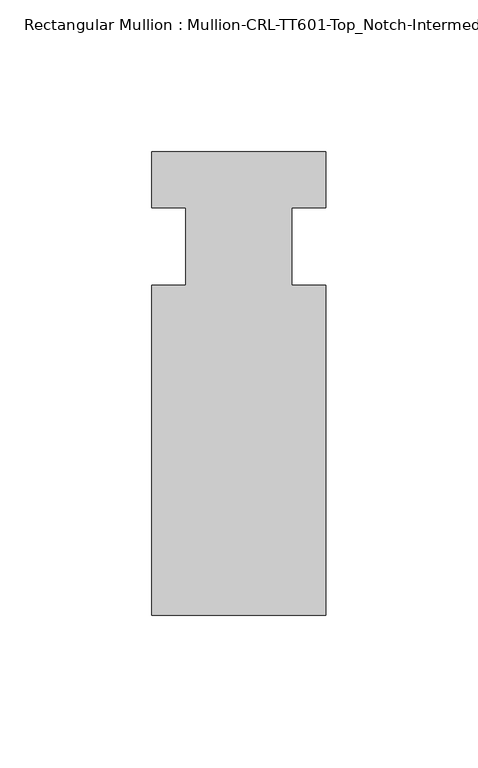
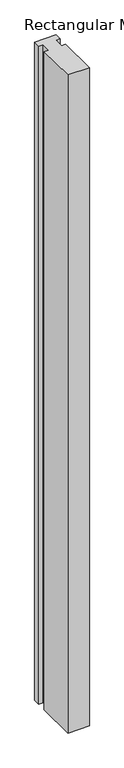
"""IFC4 building model written with IfcOpenShell, lengths in millimetres: member geometry, Rectangular Mullion : Mullion-CRL-TT601-Top_Notch-Intermediate_Vertical."""

from ifc_helpers import new_model, si_unit, frame, origin, place, context, project, spatial, polyline, outline, extrude, source, transform, mapped, element, save


def rectangular_mullion_mullion_crl_tt601_top_notch_intermediate_59b2f723(model_context):
    return source(origin(), model_context, "Body", "SweptSolid", [
        extrude(outline(polyline([(-28.575, -12.7), (-17.4625, -12.7), (-17.4625, 12.7), (-28.575, 12.7), (-28.575, 31.1404), (28.575, 31.1404), (28.575, 12.7), (17.4625, 12.7), (17.4625, -12.7), (28.575, -12.7), (28.575, -121.2596), (-28.575, -121.2596), (-28.575, -12.7)])), frame((0.0, 0.0, -1847.705463), z_axis=(0.0, 0.0, 1.0), x_axis=(1.0, 0.0, 0.0)), (0.0, 0.0, 1.0), 1847.705463),
    ])


if __name__ == "__main__":
    model = new_model("IFC4")
    model_context = context("Model", 3, world=origin())
    ifc_project = project(units=[si_unit("LENGTHUNIT", "METRE", prefix="MILLI")], contexts=[model_context])
    site = spatial("IfcSite", under=ifc_project)
    building = spatial("IfcBuilding", under=site)
    placement = place(None, origin())
    rectangular_mullion_mullion_crl_tt601_top_notch_intermediate_shape = rectangular_mullion_mullion_crl_tt601_top_notch_intermediate_59b2f723(model_context)
    element("IfcMember", 1, ObjectType="Rectangular Mullion : Mullion-CRL-TT601-Top_Notch-Intermediate_Vertical", at=placement, inside=building, context=model_context, shape_type="MappedRepresentation", body=[
        mapped(rectangular_mullion_mullion_crl_tt601_top_notch_intermediate_shape, transform((0.0, 0.0, 0.0), x_axis=(1.0, 0.0, 0.0), y_axis=(0.0, 1.0, 0.0), z_axis=(0.0, 0.0, 1.0))),
    ])
    save(model, "model.ifc")
